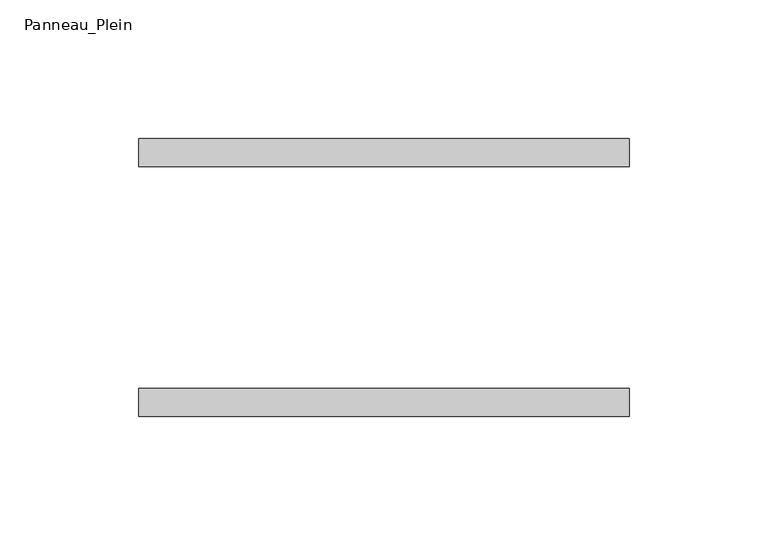
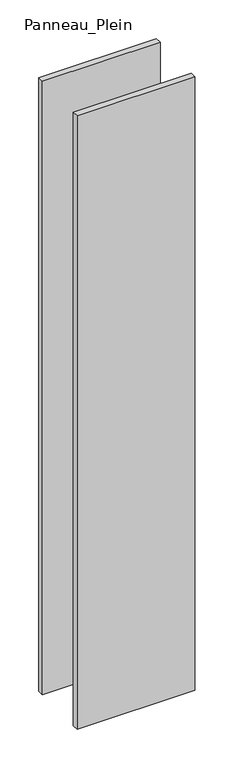
"""IFC4 building model written with IfcOpenShell, lengths in millimetres: plate geometry, Panneau_Plein."""

from ifc_helpers import new_model, si_unit, origin, origin_with_axes, place, context, project, spatial, polyline, outline, extrude, source, transform, mapped, element, save


def panneau_plein_1e422c3b(model_context):
    return source(origin(), model_context, "Body", "SweptSolid", [
        extrude(outline(polyline([(88.2035739, 50.0), (88.2035739, 40.0), (-88.2035739, 40.0), (-88.2035739, 50.0), (88.2035739, 50.0)])), origin_with_axes(), (0.0, 0.0, 1.0), 971.1805856),
        extrude(outline(polyline([(88.2035739, -40.0), (88.2035739, -50.0), (-88.2035739, -50.0), (-88.2035739, -40.0), (88.2035739, -40.0)])), origin_with_axes(), (0.0, 0.0, 1.0), 971.1805856),
    ])


if __name__ == "__main__":
    model = new_model("IFC4")
    model_context = context("Model", 3, world=origin())
    ifc_project = project(units=[si_unit("LENGTHUNIT", "METRE", prefix="MILLI")], contexts=[model_context])
    site = spatial("IfcSite", under=ifc_project)
    building = spatial("IfcBuilding", under=site)
    placement = place(None, origin())
    panneau_plein_shape = panneau_plein_1e422c3b(model_context)
    element("IfcPlate", 1, ObjectType="Panneau_Plein", at=placement, inside=building, context=model_context, shape_type="MappedRepresentation", body=[
        mapped(panneau_plein_shape, transform((0.0, 0.0, 0.0), x_axis=(1.0, 0.0, 0.0), y_axis=(0.0, 1.0, 0.0), z_axis=(0.0, 0.0, 1.0))),
    ])
    save(model, "model.ifc")
